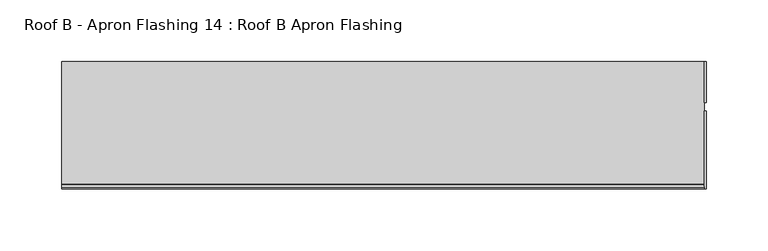
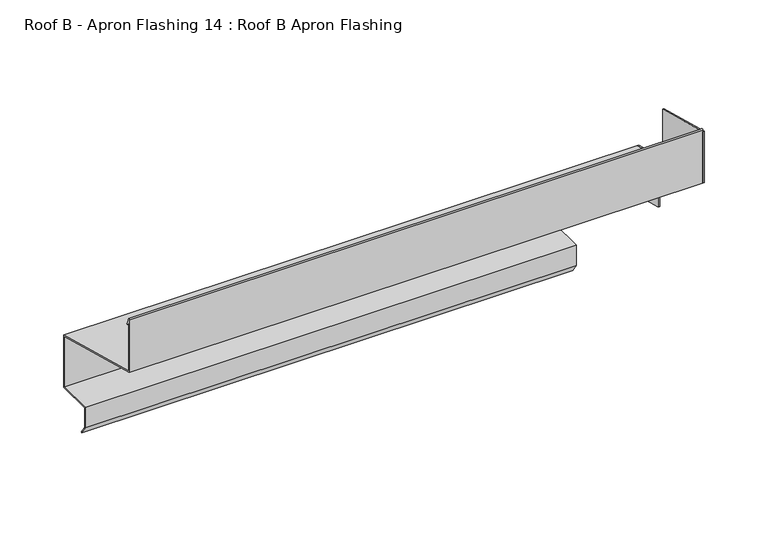
"""IFC4 building model written with IfcOpenShell, lengths in millimetres: proxy geometry, Roof B - Apron Flashing 14 : Roof B Apron Flashing."""

import ifcopenshell
import ifcopenshell.guid

model = None  # the IFC model being written
_history = None  # IfcOwnerHistory: only IFC2X3 demands one
_inside = {}  # id of a spatial element -> (the spatial element, [elements in it])
_under = {}  # id of a project, library or spatial element -> (it, [spatial elements below it])
_declared = {}  # id of a project -> (the project, [libraries it declares])
_typed = {}  # id of a type object -> (the type object, [elements of that type])
_made_of = {}  # id of a material, layer set ... -> (it, [elements and type objects made of it])


def new_model(schema):
    """Start an empty IFC model of exactly this schema.

    Asked for "IFC4X3", IfcOpenShell would pick the latest addendum, in which some entities
    have other attributes; the version numbers below select the first issue.
    IFC2X3 requires an IfcOwnerHistory on every rooted entity: one is made here for all.
    """
    global model, _history
    if schema == "IFC4X3":
        model = ifcopenshell.file(schema_version=(4, 3, 0, 0))
    else:
        model = ifcopenshell.file(schema=schema)
    _inside.clear()
    _under.clear()
    _declared.clear()
    _typed.clear()
    _made_of.clear()
    _history = None
    if model.schema == "IFC2X3":
        org = make("IfcOrganization", Name="unknown")
        user = make(
            "IfcPersonAndOrganization",
            ThePerson=make("IfcPerson", FamilyName="unknown"),
            TheOrganization=org,
        )
        app = make(
            "IfcApplication",
            ApplicationDeveloper=org,
            Version="unknown",
            ApplicationFullName="unknown",
            ApplicationIdentifier="unknown",
        )
        _history = make(
            "IfcOwnerHistory",
            OwningUser=user,
            OwningApplication=app,
            ChangeAction="ADDED",
            CreationDate=0,
        )
    return model


def make(cls, **values):
    """One entity of the class cls with the attributes given. An attribute that is None is left unset."""
    return model.create_entity(
        cls, **{name: value for name, value in values.items() if value is not None}
    )


def rooted(cls, **values):
    """An entity with a GlobalId (a new one), such as an element, a storey or a relation."""
    return make(cls, GlobalId=ifcopenshell.guid.new(), OwnerHistory=_history, **values)


def si_unit(unit_type, name, prefix=None):
    """IfcSIUnit, for example si_unit("LENGTHUNIT", "METRE", prefix="MILLI")."""
    return make("IfcSIUnit", UnitType=unit_type, Prefix=prefix, Name=name)


def assignment(units):
    """IfcUnitAssignment: the units of a project."""
    return None if units is None else make("IfcUnitAssignment", Units=units)


def point(xyz):
    """IfcCartesianPoint."""
    return None if xyz is None else make("IfcCartesianPoint", Coordinates=xyz)


def direction(xyz):
    """IfcDirection."""
    return None if xyz is None else make("IfcDirection", DirectionRatios=xyz)


def frame(location, z_axis=None, x_axis=None):
    """IfcAxis2Placement3D, a coordinate frame: its origin and axes. An axis left out is left unset."""
    return make(
        "IfcAxis2Placement3D",
        Location=point(location),
        Axis=direction(z_axis),
        RefDirection=direction(x_axis),
    )


def origin():
    """The frame at (0, 0, 0) with its axes left unset."""
    return frame((0.0, 0.0, 0.0))


def place(relative_to, where):
    """IfcLocalPlacement: puts the frame where relative to a parent placement (None: the world)."""
    return make(
        "IfcLocalPlacement", PlacementRelTo=relative_to, RelativePlacement=where
    )


def context(
    kind, dimensions, precision=None, world=None, true_north=None, identifier=None
):
    """IfcGeometricRepresentationContext, for example the 3D "Model" context."""
    return make(
        "IfcGeometricRepresentationContext",
        ContextIdentifier=identifier,
        ContextType=kind,
        CoordinateSpaceDimension=dimensions,
        Precision=precision,
        WorldCoordinateSystem=world,
        TrueNorth=true_north,
    )


def project(units=None, contexts=None):
    """IfcProject with its units and contexts."""
    return rooted(
        "IfcProject",
        Name="project",
        RepresentationContexts=contexts,
        UnitsInContext=assignment(units),
    )


def spatial(cls, under=None, at=None, **own):
    """A site, building, storey or space (cls), placed at a placement, below another one or the project."""
    s = rooted(cls, ObjectPlacement=at, **own)
    if under is not None:
        _under.setdefault(under.id(), (under, []))[1].append(s)
    return s


def polyline(points):
    """IfcPolyline through the points."""
    return make("IfcPolyline", Points=[point(p) for p in points])


def circle_curve(where, radius):
    """IfcCircle in the frame where."""
    return make("IfcCircle", Position=where, Radius=radius)


def outline(outer, holes=None, kind="AREA"):
    """IfcArbitraryClosedProfileDef: a profile drawn as a closed curve; with holes, ...WithVoids."""
    if holes is None:
        return make("IfcArbitraryClosedProfileDef", ProfileType=kind, OuterCurve=outer)
    return make(
        "IfcArbitraryProfileDefWithVoids",
        ProfileType=kind,
        OuterCurve=outer,
        InnerCurves=holes,
    )


def extrude(swept, where, along, depth):
    """IfcExtrudedAreaSolid: the profile swept, set in the frame where, extruded along a direction by depth."""
    return make(
        "IfcExtrudedAreaSolid",
        SweptArea=swept,
        Position=where,
        ExtrudedDirection=direction(along),
        Depth=depth,
    )


def shape(context_of_items, identifier, shape_type, items):
    """IfcShapeRepresentation: the items that make up one representation, for example the "Body"."""
    return make(
        "IfcShapeRepresentation",
        ContextOfItems=context_of_items,
        RepresentationIdentifier=identifier,
        RepresentationType=shape_type,
        Items=items,
    )


def source(mapping_origin, context_of_items, identifier, shape_type, items):
    """IfcRepresentationMap: a shape defined once, which mapped items show again and again."""
    return make(
        "IfcRepresentationMap",
        MappingOrigin=mapping_origin,
        MappedRepresentation=shape(context_of_items, identifier, shape_type, items),
    )


def transform(
    local_origin,
    x_axis=None,
    y_axis=None,
    z_axis=None,
    scale=None,
    scale2=None,
    scale3=None,
    uniform=True,
):
    """IfcCartesianTransformationOperator3D, or its non-uniform kind. x_axis, y_axis, z_axis: its Axis1, 2, 3."""
    if uniform:
        return make(
            "IfcCartesianTransformationOperator3D",
            Axis1=direction(x_axis),
            Axis2=direction(y_axis),
            LocalOrigin=point(local_origin),
            Scale=scale,
            Axis3=direction(z_axis),
        )
    return make(
        "IfcCartesianTransformationOperator3DnonUniform",
        Axis1=direction(x_axis),
        Axis2=direction(y_axis),
        LocalOrigin=point(local_origin),
        Scale=scale,
        Axis3=direction(z_axis),
        Scale2=scale2,
        Scale3=scale3,
    )


def mapped(mapping_source, mapping_target):
    """IfcMappedItem: shows the shape of a source again, moved by a transform."""
    return make(
        "IfcMappedItem", MappingSource=mapping_source, MappingTarget=mapping_target
    )


def made_of(thing, what):
    """Note that an element or type object is made of a material, layer set ...; save() writes the relation."""
    if what is not None:
        _made_of.setdefault(what.id(), (what, []))[1].append(thing)
    return thing


def element(
    cls,
    number,
    at=None,
    inside=None,
    cuts=None,
    type_object=None,
    material=None,
    context=None,
    identifier="Body",
    shape_type=None,
    held_by="IfcProductDefinitionShape",
    body=None,
    shapes=None,
    **own,
):
    """One element of the class cls, such as IfcWall. Its Tag is "e" and its number.

    at: its placement. inside: the storey or other place that contains it. cuts: it is an
    opening in that element (IfcRelVoidsElement). A single representation is given by context,
    identifier, shape_type and body (its items); several are given by shapes. held_by: the class
    of the entity that holds the representations. save() writes the other relations.
    """
    e = rooted(cls, Tag="e%d" % number, ObjectPlacement=at, **own)
    if body is not None:
        shapes = [shape(context, identifier, shape_type, body)]
    if shapes is not None:
        e.Representation = make(held_by, Representations=shapes)
    if inside is not None:
        _inside.setdefault(inside.id(), (inside, []))[1].append(e)
    if cuts is not None:
        rooted(
            "IfcRelVoidsElement", RelatingBuildingElement=cuts, RelatedOpeningElement=e
        )
    if type_object is not None:
        _typed.setdefault(type_object.id(), (type_object, []))[1].append(e)
    return made_of(e, material)


def aggregate(whole, parts):
    """IfcRelAggregates: a whole, such as a stair, and the parts it consists of."""
    return rooted("IfcRelAggregates", RelatingObject=whole, RelatedObjects=parts)


def save(model, path):
    """Write the relations noted so far, then the file.

    IfcRelAggregates (storeys below a building ...), IfcRelContainedInSpatialStructure (elements
    in a storey), IfcRelDefinesByType, IfcRelAssociatesMaterial and IfcRelDeclares: one each for
    every whole, place, type object, material and project.
    """
    for whole, parts in _under.values():
        aggregate(whole, parts)
    for where, things in _inside.values():
        rooted(
            "IfcRelContainedInSpatialStructure",
            RelatedElements=things,
            RelatingStructure=where,
        )
    for kind, things in _typed.values():
        rooted("IfcRelDefinesByType", RelatedObjects=things, RelatingType=kind)
    for what, things in _made_of.values():
        rooted("IfcRelAssociatesMaterial", RelatedObjects=things, RelatingMaterial=what)
    for by, libraries in _declared.values():
        rooted("IfcRelDeclares", RelatingContext=by, RelatedDefinitions=libraries)
    model.write(path)


def plane_surface(at):
    """IfcPlane: the flat surface through the origin of the frame at, square to its z axis."""
    return make("IfcPlane", Position=at)


def cylinder_surface(at, radius):
    """IfcCylindricalSurface: all points at the distance radius from the z axis of the frame at."""
    return make("IfcCylindricalSurface", Position=at, Radius=radius)


def advanced_brep(points, edges, surfaces, faces):
    """IfcAdvancedBrep: a solid bounded by faces that lie on surfaces and meet in shared edges.

    An edge is (start, end): straight between two places in points (the first is 0);
    or (start, end, curve); or (start, end, curve, False) where it runs against its curve.
    A face is (place in surfaces, loops), or (place, loops, False) where it looks against
    its surface's normal. A loop lists edges by number (the first is 1), with a minus sign
    where the edge is run from its end to its start. The first loop is the outer one.
    """
    corners = [point(p) for p in points]
    vertices = [make("IfcVertexPoint", VertexGeometry=c) for c in corners]
    made = []
    for start, end, *more in edges:
        made.append(
            make(
                "IfcEdgeCurve",
                EdgeStart=vertices[start],
                EdgeEnd=vertices[end],
                EdgeGeometry=more[0] if more else make("IfcPolyline", Points=[corners[start], corners[end]]),
                SameSense=more[1] if len(more) > 1 else True,
            )
        )
    hull = []
    for where, loops, *sense in faces:
        bounds = []
        for j, loop in enumerate(loops):
            ring = [make("IfcOrientedEdge", EdgeElement=made[abs(k) - 1], Orientation=k > 0) for k in loop]
            bounds.append(
                make(
                    "IfcFaceOuterBound" if j == 0 else "IfcFaceBound",
                    Bound=make("IfcEdgeLoop", EdgeList=ring),
                    Orientation=True,
                )
            )
        hull.append(make("IfcAdvancedFace", Bounds=bounds, FaceSurface=surfaces[where], SameSense=sense[0] if sense else True))
    return make("IfcAdvancedBrep", Outer=make("IfcClosedShell", CfsFaces=hull))


def roof_b_apron_flashing_14_roof_b_apron_flashing_8da3c9e0(model_context):
    return source(origin(), model_context, "Body", "SolidModel", [
        extrude(outline(polyline([(660.2773132, -242.0096237), (660.2773132, -292.0096237), (659.2776076, -292.0096237), (659.2776076, -289.5944306), (627.4023812, -281.0534894), (627.4023812, -233.2008122), (660.2773132, -242.0096237)])), frame((8486.0219031, 0.0, 0.0), z_axis=(1.0, 0.0, 0.0), x_axis=(0.0, 1.0, 0.0)), (0.0, 0.0, 1.0), 1.3240587),
        extrude(outline(polyline([(620.4882944, -232.3834644), (557.4043312, -215.4801674), (557.4043312, -166.2122183), (620.4882944, -183.1155152), (620.4882944, -232.3834644)])), frame((8486.0219031, 0.0, 0.0), z_axis=(1.0, 0.0, 0.0), x_axis=(0.0, 1.0, 0.0)), (0.0, 0.0, 1.0), 1.3240587),
        advanced_brep(
        [(8486.0219031, 660.2773132, -242.0096237), (8486.0219031, 558.4043312, -214.7128405), (8486.0219031, 558.4043312, -166.5489273), (8486.0219031, 560.2002452, -170.9939705), (8486.0219031, 561.1274291, -170.6193639), (8486.0219031, 558.7129742, -164.6433784), (8486.0219031, 557.4043312, -164.8977528), (8486.0219031, 557.4043312, -215.4801674), (8486.0219031, 659.2773132, -242.7769507), (8486.0219031, 659.2776076, -292.0096237), (8486.0219031, 660.2773132, -292.0096237), (7966.9913177, 660.2773132, -242.0096237), (7966.9913177, 660.2773132, -292.0096237), (7966.9913177, 627.6739483, -292.0096237), (7966.9913177, 627.6739483, -310.3959053), (7966.9913177, 632.884848, -317.8378413), (7966.9913177, 632.065696, -318.4114178), (7966.9913177, 626.6739483, -310.7112041), (7966.9913177, 626.6739483, -291.0096237), (7966.9913177, 659.2773132, -291.0096237), (7966.9913177, 659.2773132, -242.7769507), (7966.9913177, 557.4043312, -215.4801674), (7966.9913177, 557.4043312, -164.8977528), (7966.9913177, 558.7129742, -164.6433784), (7966.9913177, 561.1274291, -170.6193639), (7966.9913177, 560.2002452, -170.9939705), (7966.9913177, 558.4043312, -166.5489273), (7966.9913177, 558.4043312, -214.7128405), (8411.4791786, 659.2773132, -291.0096237), (8411.4791786, 659.2773132, -292.0096237), (8411.4791786, 626.6739483, -291.0096237), (8411.4791786, 626.6739483, -310.7112041), (8411.4791786, 627.6739483, -292.0096237), (8411.4791786, 627.6739483, -310.3959053), (8411.4791786, 632.065696, -318.4114178), (8411.4791786, 632.884848, -317.8378413)],
        [
            (0, 1),
            (1, 2),
            (2, 3),
            (3, 4, circle_curve(frame((8486.0219031, 560.6638371, -170.8066672), z_axis=(1.0, 0.0, 0.0), x_axis=(0.0, 0.24192189559966418, 0.9702957262759974)), 0.5)),
            (4, 5),
            (5, 6, circle_curve(frame((8486.0219031, 558.0833754, -164.8977528), z_axis=(1.0, 0.0, 0.0), x_axis=(0.0, 0.0, 1.0)), 0.6790442)),
            (6, 7),
            (7, 8),
            (8, 9),
            (9, 10),
            (10, 0),
            (11, 12),
            (12, 13),
            (13, 14),
            (14, 15),
            (15, 16),
            (16, 17),
            (17, 18),
            (18, 19),
            (19, 20),
            (20, 21),
            (21, 22),
            (22, 23, circle_curve(frame((7966.9913177, 558.0833754, -164.8977528), z_axis=(-1.0, 0.0, 0.0), x_axis=(0.0, 0.0, 1.0)), 0.6790442)),
            (23, 24),
            (24, 25, circle_curve(frame((7966.9913177, 560.6638371, -170.8066672), z_axis=(-1.0, 0.0, 0.0), x_axis=(0.0, 0.24192189559966418, 0.9702957262759974)), 0.5)),
            (25, 26),
            (26, 27),
            (27, 11),
            (0, 11),
            (27, 1),
            (26, 2),
            (25, 3),
            (24, 4),
            (23, 5),
            (22, 6),
            (21, 7),
            (20, 8),
            (19, 28),
            (28, 29),
            (29, 9),
            (18, 30),
            (30, 28),
            (17, 31),
            (31, 30),
            (13, 32),
            (32, 33),
            (33, 14),
            (12, 10),
            (29, 32),
            (16, 34),
            (34, 31),
            (15, 35),
            (35, 34),
            (33, 35),
        ],
        [
            plane_surface(frame((8486.0219031, 461.8722381, -298.0327356), z_axis=(1.0, 0.0, 0.0), x_axis=(0.0, 1.0, 0.0))),
            plane_surface(frame((7966.9913177, 461.8722381, -298.0327356), z_axis=(-1.0, 0.0, 0.0), x_axis=(0.0, 1.0, 0.0))),
            plane_surface(frame((8486.0219031, 660.2773132, -242.0096237), z_axis=(0.0, 0.25881904510252063, 0.9659258262890684), x_axis=(-1.0, 0.0, 0.0))),
            plane_surface(frame((8486.0219031, 558.4043312, -214.7128405), z_axis=(0.0, 1.0, 0.0), x_axis=(-1.0, 0.0, 0.0))),
            plane_surface(frame((8486.0219031, 558.4043312, -166.5489273), z_axis=(0.0, -0.9271838545667873, -0.3746065934159123), x_axis=(-1.0, 0.0, 0.0))),
            cylinder_surface(frame((8486.0219031, 560.6638371, -170.8066672), z_axis=(1.0, 0.0, 0.0), x_axis=(0.0, 0.24192189559966418, 0.9702957262759974)), 0.5),
            plane_surface(frame((8486.0219031, 561.1274291, -170.6193639), z_axis=(0.0, 0.9271838545667873, 0.3746065934159123), x_axis=(-1.0, 0.0, 0.0))),
            cylinder_surface(frame((8486.0219031, 558.0833754, -164.8977528), z_axis=(1.0, 0.0, 0.0), x_axis=(0.0, 0.0, 1.0)), 0.6790442),
            plane_surface(frame((8486.0219031, 557.4043312, -164.8977528), z_axis=(0.0, -1.0, 0.0), x_axis=(-1.0, 0.0, 0.0))),
            plane_surface(frame((8486.0219031, 557.4043312, -215.4801674), z_axis=(0.0, -0.2588190451025208, -0.9659258262890683), x_axis=(-1.0, 0.0, 0.0))),
            plane_surface(frame((8486.0219031, 659.2773132, -242.7769507), z_axis=(0.0, -1.0, 0.0), x_axis=(-1.0, 0.0, 0.0))),
            plane_surface(frame((8486.0219031, 659.2773132, -291.0096237), z_axis=(0.0, 0.0, 1.0), x_axis=(-1.0, 0.0, 0.0))),
            plane_surface(frame((8486.0219031, 626.6739483, -291.0096237), z_axis=(0.0, -1.0, 0.0), x_axis=(-1.0, 0.0, 0.0))),
            plane_surface(frame((8486.0219031, 627.6739483, -310.3959053), z_axis=(0.0, 1.0, 0.0), x_axis=(-1.0, 0.0, 0.0))),
            plane_surface(frame((8486.0219031, 627.6739483, -292.0096237), z_axis=(0.0, 0.0, -1.0), x_axis=(-1.0, 0.0, 0.0))),
            plane_surface(frame((8486.0219031, 660.2773132, -292.0096237), z_axis=(0.0, 1.0, 0.0), x_axis=(-1.0, 0.0, 0.0))),
            plane_surface(frame((8486.0219031, 626.6739483, -310.7112041), z_axis=(0.0, -0.8191520442889942, -0.5735764363510427), x_axis=(-1.0, 0.0, 0.0))),
            plane_surface(frame((8486.0219031, 632.065696, -318.4114178), z_axis=(0.0, 0.5735764363510357, -0.8191520442889991), x_axis=(-1.0, 0.0, 0.0))),
            plane_surface(frame((8486.0219031, 632.884848, -317.8378413), z_axis=(0.0, 0.8191520442889942, 0.5735764363510427), x_axis=(-1.0, 0.0, 0.0))),
            plane_surface(frame((8411.4791786, 988.4739162, -605.2282213), z_axis=(1.0, 0.0, 0.0), x_axis=(0.0, -0.9659258262890683, 0.2588190451025206))),
        ],
        [
            (0, [[1, 2, 3, 4, 5, 6, 7, 8, 9, 10, 11]]),
            (1, [[12, 13, 14, 15, 16, 17, 18, 19, 20, 21, 22, 23, 24, 25, 26, 27, 28]]),
            (2, [[-1, 29, -28, 30]]),
            (3, [[-2, -30, -27, 31]]),
            (4, [[-3, -31, -26, 32]]),
            (5, [[-4, -32, -25, 33]]),
            (6, [[-5, -33, -24, 34]]),
            (7, [[-6, -34, -23, 35]]),
            (8, [[-7, -35, -22, 36]]),
            (9, [[-8, -36, -21, 37]]),
            (10, [[-20, 38, 39, 40, -9, -37]]),
            (11, [[-19, 41, 42, -38]]),
            (12, [[-18, 43, 44, -41]]),
            (13, [[-14, 45, 46, 47]]),
            (14, [[-13, 48, -10, -40, 49, -45]]),
            (15, [[-11, -48, -12, -29]]),
            (16, [[-17, 50, 51, -43]]),
            (17, [[-16, 52, 53, -50]]),
            (18, [[-15, -47, 54, -52]]),
            (19, [[-39, -42, -44, -51, -53, -54, -46, -49]]),
        ],
    ),
    ])


if __name__ == "__main__":
    model = new_model("IFC4")
    model_context = context("Model", 3, world=origin())
    ifc_project = project(units=[si_unit("LENGTHUNIT", "METRE", prefix="MILLI")], contexts=[model_context])
    site = spatial("IfcSite", under=ifc_project)
    building = spatial("IfcBuilding", under=site)
    placement = place(None, origin())
    roof_b_apron_flashing_14_roof_b_apron_flashing_shape = roof_b_apron_flashing_14_roof_b_apron_flashing_8da3c9e0(model_context)
    element("IfcBuildingElementProxy", 1, Name="Roof B - Apron Flashing 14 : Roof B Apron Flashing", ObjectType="Roof B - Apron Flashing 14 : Roof B Apron Flashing", at=placement, inside=building, context=model_context, shape_type="MappedRepresentation", body=[
        mapped(roof_b_apron_flashing_14_roof_b_apron_flashing_shape, transform((0.0, 0.0, 0.0), x_axis=(1.0, 0.0, 0.0), y_axis=(0.0, 1.0, 0.0), z_axis=(0.0, 0.0, 1.0))),
    ])
    save(model, "model.ifc")
